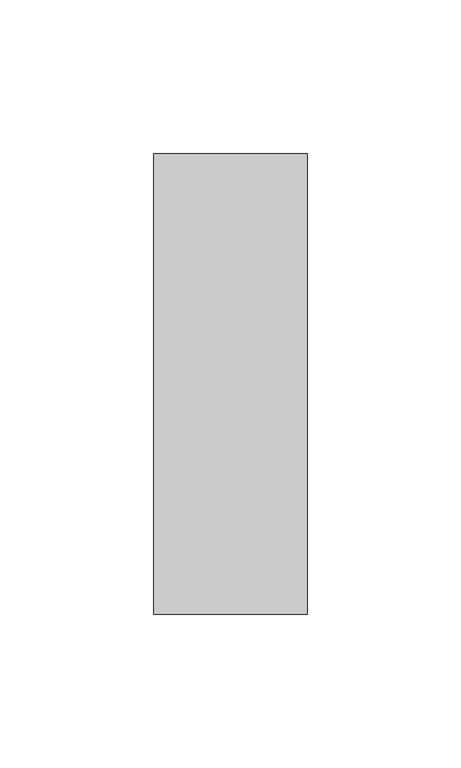
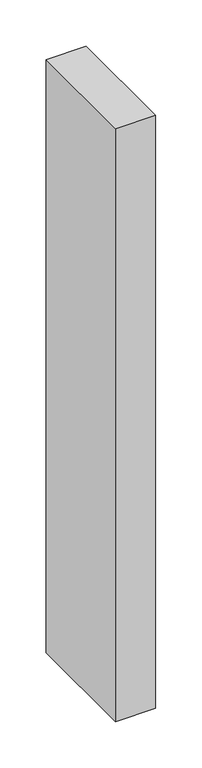
"""IFC4 building model written with IfcOpenShell, lengths in millimetres: member geometry."""

from ifc_helpers import new_model, si_unit, frame, origin, place, context, project, spatial, polyline, outline, extrude, source, transform, mapped, element, save


def member_39176afa(model_context):
    return source(origin(), model_context, "Body", "SweptSolid", [
        extrude(outline(polyline([(25.0, 75.0), (25.0, -75.0), (-25.0, -75.0), (-25.0, 75.0), (25.0, 75.0)])), frame((0.0, 0.0, -781.8168429), z_axis=(0.0, 0.0, 1.0), x_axis=(1.0, 0.0, 0.0)), (0.0, 0.0, 1.0), 781.8168429),
    ])


if __name__ == "__main__":
    model = new_model("IFC4")
    model_context = context("Model", 3, world=origin())
    ifc_project = project(units=[si_unit("LENGTHUNIT", "METRE", prefix="MILLI")], contexts=[model_context])
    site = spatial("IfcSite", under=ifc_project)
    building = spatial("IfcBuilding", under=site)
    placement = place(None, origin())
    member_shape = member_39176afa(model_context)
    element("IfcMember", 1, at=placement, inside=building, context=model_context, shape_type="MappedRepresentation", body=[
        mapped(member_shape, transform((0.0, 0.0, 0.0), x_axis=(1.0, 0.0, 0.0), y_axis=(0.0, 1.0, 0.0), z_axis=(0.0, 0.0, 1.0))),
    ])
    save(model, "model.ifc")
